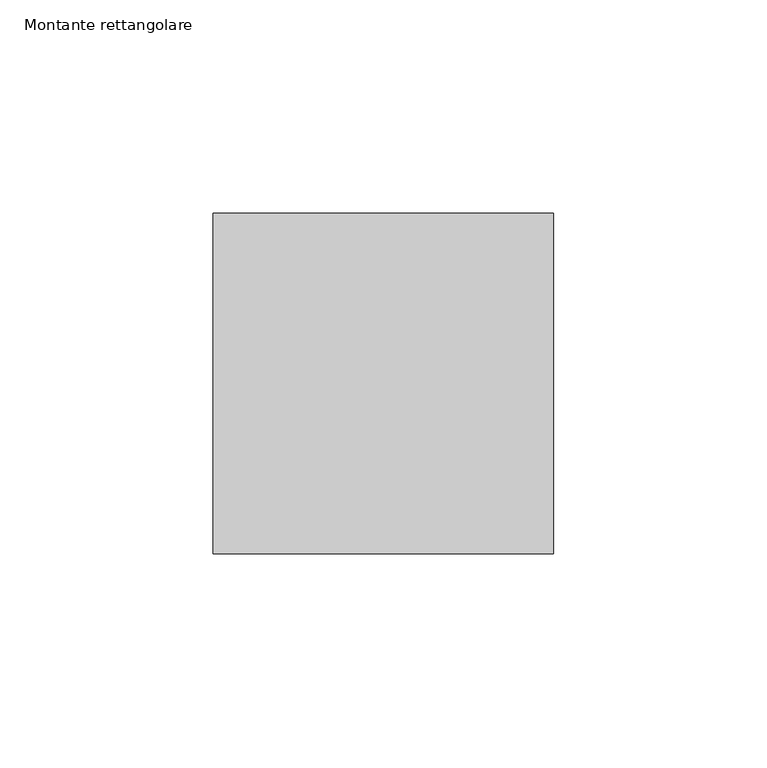
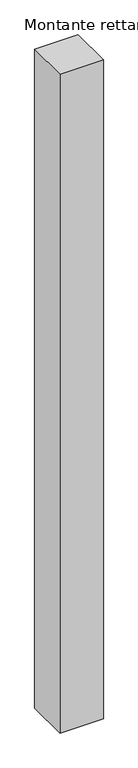
"""IFC4 building model written with IfcOpenShell, lengths in millimetres: member geometry, Montante rettangolare."""

from ifc_helpers import new_model, si_unit, frame, origin, place, context, project, spatial, polyline, outline, extrude, source, transform, mapped, element, save


def montante_rettangolare_1cf832a4(model_context):
    return source(origin(), model_context, "Body", "SweptSolid", [
        extrude(outline(polyline([(0.0, 40.0), (0.0, -40.0), (-80.0, -40.0), (-80.0, 40.0), (0.0, 40.0)])), frame((0.0, 0.0, -1280.0), z_axis=(0.0, 0.0, 1.0), x_axis=(1.0, 0.0, 0.0)), (0.0, 0.0, 1.0), 1280.0),
    ])


if __name__ == "__main__":
    model = new_model("IFC4")
    model_context = context("Model", 3, world=origin())
    ifc_project = project(units=[si_unit("LENGTHUNIT", "METRE", prefix="MILLI")], contexts=[model_context])
    site = spatial("IfcSite", under=ifc_project)
    building = spatial("IfcBuilding", under=site)
    placement = place(None, origin())
    montante_rettangolare_shape = montante_rettangolare_1cf832a4(model_context)
    element("IfcMember", 1, ObjectType="Montante rettangolare", at=placement, inside=building, context=model_context, shape_type="MappedRepresentation", body=[
        mapped(montante_rettangolare_shape, transform((0.0, 0.0, 0.0), x_axis=(1.0, 0.0, 0.0), y_axis=(0.0, 1.0, 0.0), z_axis=(0.0, 0.0, 1.0))),
    ])
    save(model, "model.ifc")
